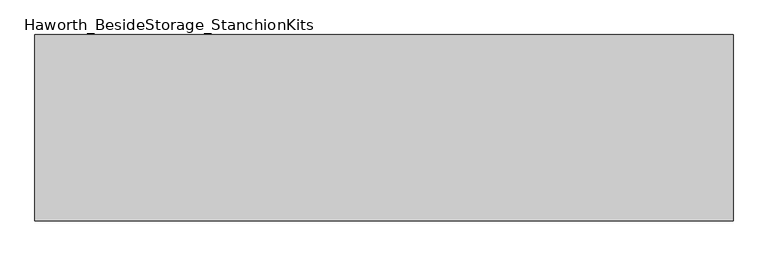
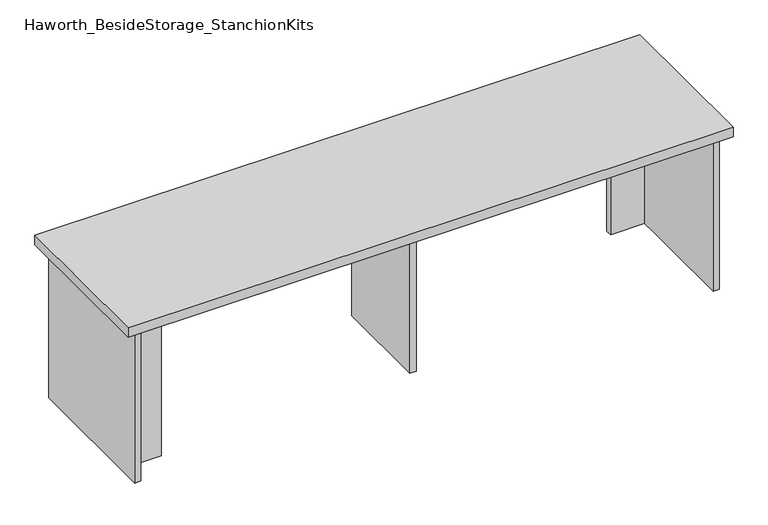
"""IFC4 building model written with IfcOpenShell, lengths in millimetres: furniture geometry, Haworth_BesideStorage_StanchionKits."""

import ifcopenshell
import ifcopenshell.guid

model = None  # the IFC model being written
_history = None  # IfcOwnerHistory: only IFC2X3 demands one
_inside = {}  # id of a spatial element -> (the spatial element, [elements in it])
_under = {}  # id of a project, library or spatial element -> (it, [spatial elements below it])
_declared = {}  # id of a project -> (the project, [libraries it declares])
_typed = {}  # id of a type object -> (the type object, [elements of that type])
_made_of = {}  # id of a material, layer set ... -> (it, [elements and type objects made of it])


def new_model(schema):
    """Start an empty IFC model of exactly this schema.

    Asked for "IFC4X3", IfcOpenShell would pick the latest addendum, in which some entities
    have other attributes; the version numbers below select the first issue.
    IFC2X3 requires an IfcOwnerHistory on every rooted entity: one is made here for all.
    """
    global model, _history
    if schema == "IFC4X3":
        model = ifcopenshell.file(schema_version=(4, 3, 0, 0))
    else:
        model = ifcopenshell.file(schema=schema)
    _inside.clear()
    _under.clear()
    _declared.clear()
    _typed.clear()
    _made_of.clear()
    _history = None
    if model.schema == "IFC2X3":
        org = make("IfcOrganization", Name="unknown")
        user = make(
            "IfcPersonAndOrganization",
            ThePerson=make("IfcPerson", FamilyName="unknown"),
            TheOrganization=org,
        )
        app = make(
            "IfcApplication",
            ApplicationDeveloper=org,
            Version="unknown",
            ApplicationFullName="unknown",
            ApplicationIdentifier="unknown",
        )
        _history = make(
            "IfcOwnerHistory",
            OwningUser=user,
            OwningApplication=app,
            ChangeAction="ADDED",
            CreationDate=0,
        )
    return model


def make(cls, **values):
    """One entity of the class cls with the attributes given. An attribute that is None is left unset."""
    return model.create_entity(
        cls, **{name: value for name, value in values.items() if value is not None}
    )


def rooted(cls, **values):
    """An entity with a GlobalId (a new one), such as an element, a storey or a relation."""
    return make(cls, GlobalId=ifcopenshell.guid.new(), OwnerHistory=_history, **values)


def si_unit(unit_type, name, prefix=None):
    """IfcSIUnit, for example si_unit("LENGTHUNIT", "METRE", prefix="MILLI")."""
    return make("IfcSIUnit", UnitType=unit_type, Prefix=prefix, Name=name)


def assignment(units):
    """IfcUnitAssignment: the units of a project."""
    return None if units is None else make("IfcUnitAssignment", Units=units)


def point(xyz):
    """IfcCartesianPoint."""
    return None if xyz is None else make("IfcCartesianPoint", Coordinates=xyz)


def direction(xyz):
    """IfcDirection."""
    return None if xyz is None else make("IfcDirection", DirectionRatios=xyz)


def frame(location, z_axis=None, x_axis=None):
    """IfcAxis2Placement3D, a coordinate frame: its origin and axes. An axis left out is left unset."""
    return make(
        "IfcAxis2Placement3D",
        Location=point(location),
        Axis=direction(z_axis),
        RefDirection=direction(x_axis),
    )


def origin():
    """The frame at (0, 0, 0) with its axes left unset."""
    return frame((0.0, 0.0, 0.0))


def place(relative_to, where):
    """IfcLocalPlacement: puts the frame where relative to a parent placement (None: the world)."""
    return make(
        "IfcLocalPlacement", PlacementRelTo=relative_to, RelativePlacement=where
    )


def context(
    kind, dimensions, precision=None, world=None, true_north=None, identifier=None
):
    """IfcGeometricRepresentationContext, for example the 3D "Model" context."""
    return make(
        "IfcGeometricRepresentationContext",
        ContextIdentifier=identifier,
        ContextType=kind,
        CoordinateSpaceDimension=dimensions,
        Precision=precision,
        WorldCoordinateSystem=world,
        TrueNorth=true_north,
    )


def project(units=None, contexts=None):
    """IfcProject with its units and contexts."""
    return rooted(
        "IfcProject",
        Name="project",
        RepresentationContexts=contexts,
        UnitsInContext=assignment(units),
    )


def spatial(cls, under=None, at=None, **own):
    """A site, building, storey or space (cls), placed at a placement, below another one or the project."""
    s = rooted(cls, ObjectPlacement=at, **own)
    if under is not None:
        _under.setdefault(under.id(), (under, []))[1].append(s)
    return s


def polyline(points):
    """IfcPolyline through the points."""
    return make("IfcPolyline", Points=[point(p) for p in points])


def outline(outer, holes=None, kind="AREA"):
    """IfcArbitraryClosedProfileDef: a profile drawn as a closed curve; with holes, ...WithVoids."""
    if holes is None:
        return make("IfcArbitraryClosedProfileDef", ProfileType=kind, OuterCurve=outer)
    return make(
        "IfcArbitraryProfileDefWithVoids",
        ProfileType=kind,
        OuterCurve=outer,
        InnerCurves=holes,
    )


def extrude(swept, where, along, depth):
    """IfcExtrudedAreaSolid: the profile swept, set in the frame where, extruded along a direction by depth."""
    return make(
        "IfcExtrudedAreaSolid",
        SweptArea=swept,
        Position=where,
        ExtrudedDirection=direction(along),
        Depth=depth,
    )


def shape(context_of_items, identifier, shape_type, items):
    """IfcShapeRepresentation: the items that make up one representation, for example the "Body"."""
    return make(
        "IfcShapeRepresentation",
        ContextOfItems=context_of_items,
        RepresentationIdentifier=identifier,
        RepresentationType=shape_type,
        Items=items,
    )


def source(mapping_origin, context_of_items, identifier, shape_type, items):
    """IfcRepresentationMap: a shape defined once, which mapped items show again and again."""
    return make(
        "IfcRepresentationMap",
        MappingOrigin=mapping_origin,
        MappedRepresentation=shape(context_of_items, identifier, shape_type, items),
    )


def transform(
    local_origin,
    x_axis=None,
    y_axis=None,
    z_axis=None,
    scale=None,
    scale2=None,
    scale3=None,
    uniform=True,
):
    """IfcCartesianTransformationOperator3D, or its non-uniform kind. x_axis, y_axis, z_axis: its Axis1, 2, 3."""
    if uniform:
        return make(
            "IfcCartesianTransformationOperator3D",
            Axis1=direction(x_axis),
            Axis2=direction(y_axis),
            LocalOrigin=point(local_origin),
            Scale=scale,
            Axis3=direction(z_axis),
        )
    return make(
        "IfcCartesianTransformationOperator3DnonUniform",
        Axis1=direction(x_axis),
        Axis2=direction(y_axis),
        LocalOrigin=point(local_origin),
        Scale=scale,
        Axis3=direction(z_axis),
        Scale2=scale2,
        Scale3=scale3,
    )


def mapped(mapping_source, mapping_target):
    """IfcMappedItem: shows the shape of a source again, moved by a transform."""
    return make(
        "IfcMappedItem", MappingSource=mapping_source, MappingTarget=mapping_target
    )


def made_of(thing, what):
    """Note that an element or type object is made of a material, layer set ...; save() writes the relation."""
    if what is not None:
        _made_of.setdefault(what.id(), (what, []))[1].append(thing)
    return thing


def element(
    cls,
    number,
    at=None,
    inside=None,
    cuts=None,
    type_object=None,
    material=None,
    context=None,
    identifier="Body",
    shape_type=None,
    held_by="IfcProductDefinitionShape",
    body=None,
    shapes=None,
    **own,
):
    """One element of the class cls, such as IfcWall. Its Tag is "e" and its number.

    at: its placement. inside: the storey or other place that contains it. cuts: it is an
    opening in that element (IfcRelVoidsElement). A single representation is given by context,
    identifier, shape_type and body (its items); several are given by shapes. held_by: the class
    of the entity that holds the representations. save() writes the other relations.
    """
    e = rooted(cls, Tag="e%d" % number, ObjectPlacement=at, **own)
    if body is not None:
        shapes = [shape(context, identifier, shape_type, body)]
    if shapes is not None:
        e.Representation = make(held_by, Representations=shapes)
    if inside is not None:
        _inside.setdefault(inside.id(), (inside, []))[1].append(e)
    if cuts is not None:
        rooted(
            "IfcRelVoidsElement", RelatingBuildingElement=cuts, RelatedOpeningElement=e
        )
    if type_object is not None:
        _typed.setdefault(type_object.id(), (type_object, []))[1].append(e)
    return made_of(e, material)


def aggregate(whole, parts):
    """IfcRelAggregates: a whole, such as a stair, and the parts it consists of."""
    return rooted("IfcRelAggregates", RelatingObject=whole, RelatedObjects=parts)


def save(model, path):
    """Write the relations noted so far, then the file.

    IfcRelAggregates (storeys below a building ...), IfcRelContainedInSpatialStructure (elements
    in a storey), IfcRelDefinesByType, IfcRelAssociatesMaterial and IfcRelDeclares: one each for
    every whole, place, type object, material and project.
    """
    for whole, parts in _under.values():
        aggregate(whole, parts)
    for where, things in _inside.values():
        rooted(
            "IfcRelContainedInSpatialStructure",
            RelatedElements=things,
            RelatingStructure=where,
        )
    for kind, things in _typed.values():
        rooted("IfcRelDefinesByType", RelatedObjects=things, RelatingType=kind)
    for what, things in _made_of.values():
        rooted("IfcRelAssociatesMaterial", RelatedObjects=things, RelatingMaterial=what)
    for by, libraries in _declared.values():
        rooted("IfcRelDeclares", RelatingContext=by, RelatedDefinitions=libraries)
    model.write(path)


def haworth_besidestorage_stanchionkits_2c0ba863(model_context):
    return source(origin(), model_context, "Body", "SweptSolid", [
        extrude(outline(polyline([(923.925, 0.0), (923.925, -406.4), (-600.075, -406.4), (-600.075, 0.0), (923.925, 0.0)])), frame((0.0, 0.0, 838.2), z_axis=(0.0, 0.0, 1.0), x_axis=(1.0, 0.0, 0.0)), (0.0, 0.0, 1.0), 25.4),
        extrude(outline(polyline([(796.925, -76.2), (882.65, -76.2), (882.65, -92.075), (796.925, -92.075), (796.925, -76.2)])), frame((0.0, 0.0, 431.8), z_axis=(0.0, 0.0, 1.0), x_axis=(1.0, 0.0, 0.0)), (0.0, 0.0, 1.0), 406.4),
        extrude(outline(polyline([(-473.075, -314.325), (-473.075, -330.2), (-558.8, -330.2), (-558.8, -314.325), (-473.075, -314.325)])), frame((0.0, 0.0, 431.8), z_axis=(0.0, 0.0, 1.0), x_axis=(1.0, 0.0, 0.0)), (0.0, 0.0, 1.0), 406.4),
        extrude(outline(polyline([(169.8625, -330.2), (153.9875, -330.2), (153.9875, -76.2), (169.8625, -76.2), (169.8625, -330.2)])), frame((0.0, 0.0, 431.8), z_axis=(0.0, 0.0, 1.0), x_axis=(1.0, 0.0, 0.0)), (0.0, 0.0, 1.0), 406.4),
        extrude(outline(polyline([(898.525, -390.525), (882.65, -390.525), (882.65, -15.875), (898.525, -15.875), (898.525, -390.525)])), frame((0.0, 0.0, 431.8), z_axis=(0.0, 0.0, 1.0), x_axis=(1.0, 0.0, 0.0)), (0.0, 0.0, 1.0), 406.4),
        extrude(outline(polyline([(-558.8, -390.525), (-574.675, -390.525), (-574.675, -15.875), (-558.8, -15.875), (-558.8, -390.525)])), frame((0.0, 0.0, 431.8), z_axis=(0.0, 0.0, 1.0), x_axis=(1.0, 0.0, 0.0)), (0.0, 0.0, 1.0), 406.4),
    ])


if __name__ == "__main__":
    model = new_model("IFC4")
    model_context = context("Model", 3, world=origin())
    ifc_project = project(units=[si_unit("LENGTHUNIT", "METRE", prefix="MILLI")], contexts=[model_context])
    site = spatial("IfcSite", under=ifc_project)
    building = spatial("IfcBuilding", under=site)
    placement = place(None, origin())
    haworth_besidestorage_stanchionkits_shape = haworth_besidestorage_stanchionkits_2c0ba863(model_context)
    element("IfcFurniture", 1, ObjectType="Haworth_BesideStorage_StanchionKits", at=placement, inside=building, context=model_context, shape_type="MappedRepresentation", body=[
        mapped(haworth_besidestorage_stanchionkits_shape, transform((0.0, 0.0, 0.0), x_axis=(1.0, 0.0, 0.0), y_axis=(0.0, 1.0, 0.0), z_axis=(0.0, 0.0, 1.0))),
    ])
    save(model, "model.ifc")
